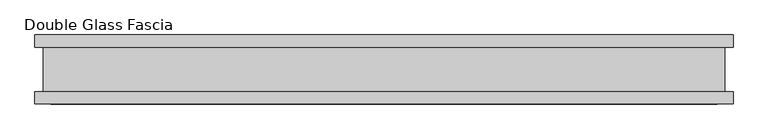
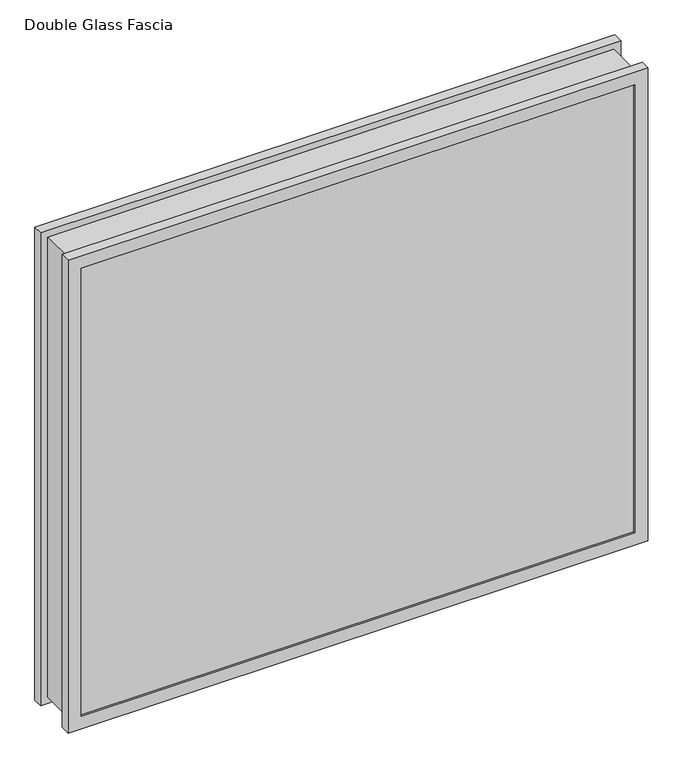
"""IFC4 building model written with IfcOpenShell, lengths in millimetres: proxy geometry, Double Glass Fascia."""

from ifc_helpers import new_model, si_unit, frame, origin, place, context, project, spatial, polyline, outline, extrude, faceted_brep, source, transform, mapped, element, save


def double_glass_fascia_480ad7cb(model_context):
    return source(origin(), model_context, "Body", "SolidModel", [
        faceted_brep([(494.2640848, -32.4352299, 863.600885), (494.2640848, -32.4352299, 15.0359151), (494.2640848, 32.4352299, 15.0359151), (494.2640848, 32.4352299, 863.600885), (-494.2640848, -32.4352299, 15.0359151), (-494.2640848, 32.4352299, 15.0359151), (-494.2640848, -32.4352299, 863.600885), (-494.2640848, 32.4352299, 863.600885), (483.0871999, 38.8962152, 852.4240001), (483.0871999, 38.8962152, 26.2128), (483.0871999, -38.8962152, 26.2128), (483.0871999, -38.8962152, 852.4240001), (499.8218392, 47.1322551, 869.1586393), (499.8218392, 47.1322551, 9.4781608), (499.8218392, 38.8962152, 9.4781608), (499.8218392, 38.8962152, 869.1586393), (482.9093999, 50.0558594, 852.2462001), (482.9093999, 50.0558594, 26.3906), (482.9093999, 47.1322551, 26.3906), (482.9093999, 47.1322551, 852.2462001), (506.1249999, 32.4352299, 875.4618001), (506.1249999, 32.4352299, 3.175), (506.1249999, 50.0558594, 3.175), (506.1249999, 50.0558594, 875.4618001), (-483.0871999, 38.8962152, 26.2128), (-483.0871999, -38.8962152, 26.2128), (-499.8218392, 47.1322551, 9.4781608), (-499.8218392, 38.8962152, 9.4781608), (-482.9093999, 50.0558594, 26.3906), (-482.9093999, 47.1322551, 26.3906), (-506.1249999, 32.4352299, 3.175), (-506.1249999, 50.0558594, 3.175), (-483.0871999, 38.8962152, 852.4240001), (-483.0871999, -38.8962152, 852.4240001), (-499.8218392, 47.1322551, 869.1586393), (-499.8218392, 38.8962152, 869.1586393), (-482.9093999, 50.0558594, 852.2462001), (-482.9093999, 47.1322551, 852.2462001), (-506.1249999, 32.4352299, 875.4618001), (-506.1249999, 50.0558594, 875.4618001), (506.1249999, -50.0558594, 875.4618001), (506.1249999, -50.0558594, 3.175), (506.1249999, -32.4352299, 3.175), (506.1249999, -32.4352299, 875.4618001), (483.0871999, -47.1322551, 852.4240001), (483.0871999, -47.1322551, 26.2128), (483.0871999, -50.0558594, 26.2128), (483.0871999, -50.0558594, 852.4240001), (499.8218392, -38.8962152, 869.1586393), (499.8218392, -38.8962152, 9.4781608), (499.8218392, -47.1322551, 9.4781608), (499.8218392, -47.1322551, 869.1586393), (-506.1249999, -50.0558594, 3.175), (-506.1249999, -32.4352299, 3.175), (-483.0871999, -47.1322551, 26.2128), (-483.0871999, -50.0558594, 26.2128), (-499.8218392, -38.8962152, 9.4781608), (-499.8218392, -47.1322551, 9.4781608), (-506.1249999, -50.0558594, 875.4618001), (-506.1249999, -32.4352299, 875.4618001), (-483.0871999, -47.1322551, 852.4240001), (-483.0871999, -50.0558594, 852.4240001), (-499.8218392, -38.8962152, 869.1586393), (-499.8218392, -47.1322551, 869.1586393)], [[[0, 1, 2, 3]], [[1, 4, 5, 2]], [[4, 6, 7, 5]], [[6, 0, 3, 7]], [[8, 9, 10, 11]], [[12, 13, 14, 15]], [[16, 17, 18, 19]], [[20, 21, 22, 23]], [[9, 24, 25, 10]], [[13, 26, 27, 14]], [[17, 28, 29, 18]], [[21, 30, 31, 22]], [[24, 32, 33, 25]], [[26, 34, 35, 27]], [[28, 36, 37, 29]], [[30, 38, 39, 31]], [[32, 8, 11, 33]], [[15, 14, 27, 35], [9, 8, 32, 24]], [[34, 12, 15, 35]], [[13, 12, 34, 26], [19, 18, 29, 37]], [[36, 16, 19, 37]], [[23, 22, 31, 39], [17, 16, 36, 28]], [[38, 20, 23, 39]], [[21, 20, 38, 30], [3, 2, 5, 7]], [[40, 41, 42, 43]], [[44, 45, 46, 47]], [[48, 49, 50, 51]], [[41, 52, 53, 42]], [[45, 54, 55, 46]], [[49, 56, 57, 50]], [[52, 58, 59, 53]], [[54, 60, 61, 55]], [[56, 62, 63, 57]], [[43, 42, 53, 59], [1, 0, 6, 4]], [[58, 40, 43, 59]], [[41, 40, 58, 52], [47, 46, 55, 61]], [[60, 44, 47, 61]], [[51, 50, 57, 63], [45, 44, 60, 54]], [[62, 48, 51, 63]], [[49, 48, 62, 56], [11, 10, 25, 33]]]),
        extrude(outline(polyline([(495.3, 40.9277344), (-495.3, 40.9277344), (-495.3, 46.8808594), (495.3, 46.8808594), (495.3, 40.9277344)])), frame((0.0, 0.0, 5.3275263), z_axis=(0.0, 0.0, 1.0), x_axis=(1.0, 0.0, 0.0)), (0.0, 0.0, 1.0), 867.4877281),
        extrude(outline(polyline([(495.3, -41.1791301), (495.3, -47.1322551), (-495.3, -47.1322551), (-495.3, -41.1791301), (495.3, -41.1791301)])), frame((0.0, 0.0, 5.3275263), z_axis=(0.0, 0.0, 1.0), x_axis=(1.0, 0.0, 0.0)), (0.0, 0.0, 1.0), 867.4877281),
    ])


if __name__ == "__main__":
    model = new_model("IFC4")
    model_context = context("Model", 3, world=origin())
    ifc_project = project(units=[si_unit("LENGTHUNIT", "METRE", prefix="MILLI")], contexts=[model_context])
    site = spatial("IfcSite", under=ifc_project)
    building = spatial("IfcBuilding", under=site)
    placement = place(None, origin())
    double_glass_fascia_shape = double_glass_fascia_480ad7cb(model_context)
    element("IfcBuildingElementProxy", 1, Name="Double Glass Fascia", ObjectType="Double Glass Fascia", at=placement, inside=building, context=model_context, shape_type="MappedRepresentation", body=[
        mapped(double_glass_fascia_shape, transform((0.0, 0.0, 0.0), x_axis=(1.0, 0.0, 0.0), y_axis=(0.0, 1.0, 0.0), z_axis=(0.0, 0.0, 1.0))),
    ])
    save(model, "model.ifc")
